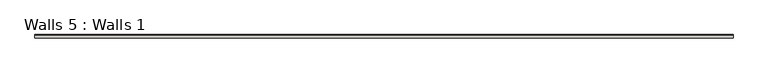
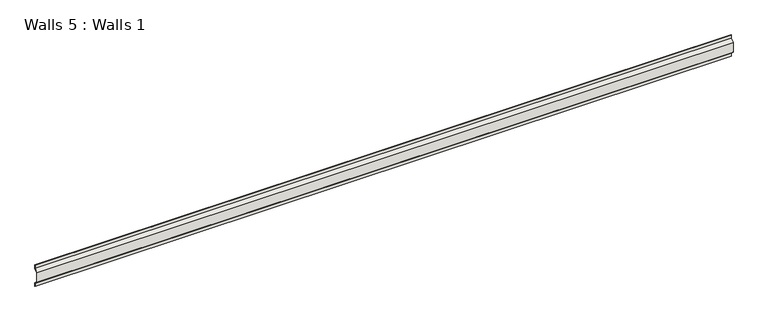
"""IFC4 building model written with IfcOpenShell, lengths in millimetres: wall geometry, Walls 5 : Walls 1."""

from ifc_helpers import new_model, si_unit, frame, origin, place, context, project, spatial, polyline, outline, extrude, source, transform, mapped, element, save


def walls_5_walls_1_4df964ff(model_context):
    return source(origin(), model_context, "Body", "SweptSolid", [
        extrude(outline(polyline([(2114.7309093, 413.8077259), (2114.7309093, 403.3973802), (2113.1434093, 403.3973802), (2113.1434093, 413.1501619), (2104.1631532, 422.130418), (2104.1631532, 452.2690476), (2113.1434093, 461.2493037), (2113.1434093, 471.0020854), (2114.7309093, 471.0020854), (2114.7309093, 460.5917397), (2105.7506532, 451.6114836), (2105.7506532, 422.787982), (2114.7309093, 413.8077259)])), frame((-663.6267943, 0.0, 0.0), z_axis=(1.0, 0.0, 0.0), x_axis=(0.0, 1.0, 0.0)), (0.0, 0.0, 1.0), 2108.2),
    ])


if __name__ == "__main__":
    model = new_model("IFC4")
    model_context = context("Model", 3, world=origin())
    ifc_project = project(units=[si_unit("LENGTHUNIT", "METRE", prefix="MILLI")], contexts=[model_context])
    site = spatial("IfcSite", under=ifc_project)
    building = spatial("IfcBuilding", under=site)
    placement = place(None, origin())
    walls_5_walls_1_shape = walls_5_walls_1_4df964ff(model_context)
    element("IfcWall", 1, ObjectType="Walls 5 : Walls 1", at=placement, inside=building, context=model_context, shape_type="MappedRepresentation", body=[
        mapped(walls_5_walls_1_shape, transform((0.0, 0.0, 0.0), x_axis=(1.0, 0.0, 0.0), y_axis=(0.0, 1.0, 0.0), z_axis=(0.0, 0.0, 1.0))),
    ])
    save(model, "model.ifc")
